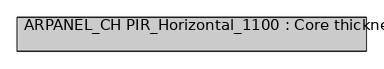
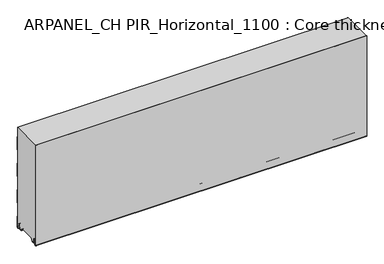
"""IFC4 building model written with IfcOpenShell, lengths in millimetres: plate geometry, ARPANEL_CH PIR_Horizontal_1100 : Core thickness - 120 mm."""

from ifc_helpers import new_model, si_unit, frame, origin, place, context, project, spatial, polyline, circle_curve, source, transform, mapped, element, save
from ifc_brep_helpers import plane_surface, cylinder_surface, revolved_surface, advanced_brep


def arpanel_ch_pir_horizontal_1100_core_thickness_120_mm_0ec4bedc(model_context):
    return source(origin(), model_context, "Body", "AdvancedBrep", [
        advanced_brep(
        [(620.0, -119.9996949, 3.0900682), (620.0, -113.81449, 2.7875612), (620.0, -112.197116, 19.2828169), (620.0, -109.1776715, 21.9898782), (620.0, -106.1582271, 19.2828169), (620.0, -104.7725998, 5.1510966), (620.0, -100.3830995, 5.365779), (620.0, -101.1830995, 5.365779), (620.0, -103.9764178, 5.2291629), (620.0, -105.3620451, 19.3608832), (620.0, -109.1776715, 22.7899182), (620.0, -112.9932979, 19.3608832), (620.0, -114.6106719, 2.8656275), (620.0, -119.1996949, 3.0900682), (620.0, -119.2, 400.0), (620.0, -119.9996949, 400.0), (-620.0, -119.1996949, 3.0900682), (-620.0, -114.6106719, 2.8656275), (-620.0, -112.9932979, 19.3608832), (-620.0, -109.1776715, 22.7899182), (-620.0, -105.3620451, 19.3608832), (-620.0, -103.9764178, 5.2291629), (-620.0, -101.1830995, 5.365779), (-620.0, -100.3830995, 5.365779), (-620.0, -104.7725998, 5.1510966), (-620.0, -106.1582271, 19.2828169), (-620.0, -109.1776715, 21.9898782), (-620.0, -112.197116, 19.2828169), (-620.0, -113.81449, 2.7875612), (-620.0, -119.9996949, 3.0900682), (-620.0, -119.9996949, 400.0), (-620.0, -119.2, 400.0)],
        [
            (0, 1, circle_curve(frame((620.0, -116.8996949, 3.0900682), z_axis=(1.0, 0.0, 0.0), x_axis=(0.0, 0.0, -1.0)), 3.1)),
            (1, 2),
            (2, 3, circle_curve(frame((620.0, -109.2114338, 18.9900682), z_axis=(-1.0, 0.0, 0.0), x_axis=(0.0, 0.0, -1.0)), 3.0)),
            (3, 4, circle_curve(frame((620.0, -109.1439093, 18.9900682), z_axis=(-1.0, 0.0, 0.0), x_axis=(0.0, 0.0, -1.0)), 3.0)),
            (4, 5),
            (5, 6, circle_curve(frame((620.0, -102.5830995, 5.365779), z_axis=(1.0, 0.0, 0.0), x_axis=(0.0, 0.0, -1.0)), 2.2)),
            (6, 7),
            (7, 8, circle_curve(frame((620.0, -102.5830995, 5.365779), z_axis=(-1.0, 0.0, 0.0), x_axis=(0.0, 0.0, -1.0)), 1.4)),
            (8, 9),
            (9, 10, circle_curve(frame((620.0, -109.1439093, 18.9900682), z_axis=(1.0, 0.0, 0.0), x_axis=(0.0, 0.0, -1.0)), 3.8)),
            (10, 11, circle_curve(frame((620.0, -109.2114338, 18.9900682), z_axis=(1.0, 0.0, 0.0), x_axis=(0.0, 0.0, -1.0)), 3.8)),
            (11, 12),
            (12, 13, circle_curve(frame((620.0, -116.8996949, 3.0900682), z_axis=(-1.0, 0.0, 0.0), x_axis=(0.0, 0.0, -1.0)), 2.3)),
            (13, 14),
            (14, 15),
            (15, 0),
            (16, 17, circle_curve(frame((-620.0, -116.8996949, 3.0900682), z_axis=(1.0, 0.0, 0.0), x_axis=(0.0, 0.0, -1.0)), 2.3)),
            (17, 18),
            (18, 19, circle_curve(frame((-620.0, -109.2114338, 18.9900682), z_axis=(-1.0, 0.0, 0.0), x_axis=(0.0, 0.0, -1.0)), 3.8)),
            (19, 20, circle_curve(frame((-620.0, -109.1439093, 18.9900682), z_axis=(-1.0, 0.0, 0.0), x_axis=(0.0, 0.0, -1.0)), 3.8)),
            (20, 21),
            (21, 22, circle_curve(frame((-620.0, -102.5830995, 5.365779), z_axis=(1.0, 0.0, 0.0), x_axis=(0.0, 0.0, -1.0)), 1.4)),
            (22, 23),
            (23, 24, circle_curve(frame((-620.0, -102.5830995, 5.365779), z_axis=(-1.0, 0.0, 0.0), x_axis=(0.0, 0.0, -1.0)), 2.2)),
            (24, 25),
            (25, 26, circle_curve(frame((-620.0, -109.1439093, 18.9900682), z_axis=(1.0, 0.0, 0.0), x_axis=(0.0, 0.0, -1.0)), 3.0)),
            (26, 27, circle_curve(frame((-620.0, -109.2114338, 18.9900682), z_axis=(1.0, 0.0, 0.0), x_axis=(0.0, 0.0, -1.0)), 3.0)),
            (27, 28),
            (28, 29, circle_curve(frame((-620.0, -116.8996949, 3.0900682), z_axis=(-1.0, 0.0, 0.0), x_axis=(0.0, 0.0, -1.0)), 3.1)),
            (29, 30),
            (30, 31),
            (31, 16),
            (13, 16),
            (31, 14),
            (29, 0),
            (15, 30),
            (12, 17),
            (11, 18),
            (10, 19),
            (9, 20),
            (8, 21),
            (7, 22),
            (6, 23),
            (5, 24),
            (4, 25),
            (3, 26),
            (2, 27),
            (1, 28),
        ],
        [
            plane_surface(frame((620.0, -120.0, 0.0), z_axis=(1.0, 0.0, 0.0), x_axis=(0.0, 1.0, 0.0))),
            plane_surface(frame((-620.0, -120.0, 0.0), z_axis=(-1.0, 0.0, 0.0), x_axis=(0.0, 1.0, 0.0))),
            plane_surface(frame((620.0, -119.2, 3.0900682), z_axis=(0.0, 1.0, 0.0), x_axis=(-1.0, 0.0, 0.0))),
            plane_surface(frame((620.0, -119.9996949, 1093.9000005), z_axis=(0.0, -1.0, 0.0), x_axis=(-1.0, 0.0, 0.0))),
            revolved_surface(polyline([(-620.0, -116.8996949, 0.7900682000000003), (620.0, -116.8996949, 0.7900682000000003)]), (620.0, -116.8996949, 3.0900682), (-1.0, 0.0, 0.0)),
            plane_surface(frame((620.0, -112.9932979, 19.3608832), z_axis=(0.0, -0.9952273999818314, 0.09758289975914787), x_axis=(-1.0, 0.0, 0.0))),
            cylinder_surface(frame((620.0, -109.2114338, 18.9900682), z_axis=(1.0, 0.0, 0.0), x_axis=(0.0, 0.0, -1.0)), 3.8),
            cylinder_surface(frame((620.0, -109.1439093, 18.9900682), z_axis=(1.0, 0.0, 0.0), x_axis=(0.0, 0.0, -1.0)), 3.8),
            plane_surface(frame((620.0, -103.9764178, 5.2291629), z_axis=(0.0, 0.9952273999818297, 0.09758289975916531), x_axis=(-1.0, 0.0, 0.0))),
            revolved_surface(polyline([(-620.0, -102.5830995, 3.965779), (620.0, -102.5830995, 3.965779)]), (620.0, -102.5830995, 5.365779), (-1.0, 0.0, 0.0)),
            plane_surface(frame((620.0, -100.3830995, 5.365779), z_axis=(0.0, 0.0, 1.0), x_axis=(-1.0, 0.0, 0.0))),
            cylinder_surface(frame((620.0, -102.5830995, 5.365779), z_axis=(1.0, 0.0, 0.0), x_axis=(0.0, 0.0, -1.0)), 2.2),
            plane_surface(frame((620.0, -106.1582271, 19.2828169), z_axis=(0.0, -0.9952273999818296, -0.09758289975916527), x_axis=(-1.0, 0.0, 0.0))),
            revolved_surface(polyline([(-620.0, -109.1439093, 15.9900682), (620.0, -109.1439093, 15.9900682)]), (620.0, -109.1439093, 18.9900682), (-1.0, 0.0, 0.0)),
            revolved_surface(polyline([(-620.0, -109.2114338, 15.9900682), (620.0, -109.2114338, 15.9900682)]), (620.0, -109.2114338, 18.9900682), (-1.0, 0.0, 0.0)),
            plane_surface(frame((620.0, -113.81449, 2.7875612), z_axis=(0.0, 0.9952273999818314, -0.09758289975914787), x_axis=(-1.0, 0.0, 0.0))),
            cylinder_surface(frame((620.0, -116.8996949, 3.0900682), z_axis=(1.0, 0.0, 0.0), x_axis=(0.0, 0.0, -1.0)), 3.1),
            plane_surface(frame((-620.0, 134.0533409, 400.0), z_axis=(0.0, 0.0, 1.0), x_axis=(1.0, 0.0, 0.0))),
        ],
        [
            (0, [[1, 2, 3, 4, 5, 6, 7, 8, 9, 10, 11, 12, 13, 14, 15, 16]]),
            (1, [[17, 18, 19, 20, 21, 22, 23, 24, 25, 26, 27, 28, 29, 30, 31, 32]]),
            (2, [[33, -32, 34, -14]]),
            (3, [[35, -16, 36, -30]]),
            (4, [[-13, 37, -17, -33]]),
            (5, [[-12, 38, -18, -37]]),
            (6, [[-11, 39, -19, -38]]),
            (7, [[-10, 40, -20, -39]]),
            (8, [[-9, 41, -21, -40]]),
            (9, [[-8, 42, -22, -41]]),
            (10, [[-7, 43, -23, -42]]),
            (11, [[-6, 44, -24, -43]]),
            (12, [[-5, 45, -25, -44]]),
            (13, [[-4, 46, -26, -45]]),
            (14, [[-3, 47, -27, -46]]),
            (15, [[-2, 48, -28, -47]]),
            (16, [[-1, -35, -29, -48]]),
            (17, [[-15, -34, -31, -36]]),
        ],
    ),
        advanced_brep(
        [(620.0, -89.873448, 15.1417681), (620.0, -30.126552, 15.1417681), (620.0, -23.4071318, 3.165779), (620.0, -17.4169005, 3.165779), (620.0, -19.6169005, 5.365779), (620.0, -18.8169005, 5.365779), (620.0, -16.0235822, 5.2291629), (620.0, -14.6379549, 19.3608832), (620.0, -10.8223285, 22.7899182), (620.0, -7.0067021, 19.3608832), (620.0, -5.3893281, 2.8656275), (620.0, -0.8003051, 3.0900682), (620.0, -0.8, 44.6827637), (620.0, -1.0986697, 45.7341795), (620.0, -1.5003051, 47.1545605), (620.0, -1.5003051, 97.3143437), (620.0, -1.0971009, 98.7337551), (620.0, -0.8, 99.7861405), (620.0, -0.8, 149.9459237), (620.0, -1.0986697, 150.9973395), (620.0, -1.5003051, 152.4177205), (620.0, -1.5003051, 202.5775037), (620.0, -1.0971009, 203.9969151), (620.0, -0.8, 205.0493005), (620.0, -0.8, 255.2090837), (620.0, -1.0986697, 256.2604995), (620.0, -1.5003051, 257.6808805), (620.0, -1.5003051, 307.8406637), (620.0, -1.0971009, 309.2600751), (620.0, -0.8, 310.3124605), (620.0, -0.8, 360.4722437), (620.0, -1.0986697, 361.5236595), (620.0, -1.5003051, 362.9440405), (620.0, -1.5003051, 400.0), (620.0, -119.2, 400.0), (620.0, -119.2, 3.0900682), (620.0, -114.6106719, 2.8656275), (620.0, -112.9932979, 19.3608832), (620.0, -109.1776715, 22.7899182), (620.0, -105.3620451, 19.3608832), (620.0, -103.9764178, 5.2291629), (620.0, -101.1830995, 5.365779), (620.0, -100.3830995, 5.365779), (620.0, -102.5830995, 3.165779), (620.0, -96.5928682, 3.165779), (-620.0, -30.126552, 15.1417681), (-620.0, -89.873448, 15.1417681), (-620.0, -96.5928682, 3.165779), (-620.0, -102.5830995, 3.165779), (-620.0, -100.3830995, 5.365779), (-620.0, -101.1830995, 5.365779), (-620.0, -103.9764178, 5.2291629), (-620.0, -105.3620451, 19.3608832), (-620.0, -109.1776715, 22.7899182), (-620.0, -112.9932979, 19.3608832), (-620.0, -114.6106719, 2.8656275), (-620.0, -119.1996949, 3.0900682), (-620.0, -119.2, 400.0), (-620.0, -1.5003051, 400.0), (-620.0, -1.5003051, 362.9440405), (-620.0, -1.0971009, 361.5246291), (-620.0, -0.8, 360.4722437), (-620.0, -0.8, 310.3124605), (-620.0, -1.0986697, 309.2610446), (-620.0, -1.5003051, 307.8406637), (-620.0, -1.5003051, 257.6808805), (-620.0, -1.0971009, 256.2614691), (-620.0, -0.8, 255.2090837), (-620.0, -0.8, 205.0493005), (-620.0, -1.0986697, 203.9978846), (-620.0, -1.5003051, 202.5775037), (-620.0, -1.5003051, 152.4177205), (-620.0, -1.0971009, 150.9983091), (-620.0, -0.8, 149.9459237), (-620.0, -0.8, 99.7861405), (-620.0, -1.0986697, 98.7347246), (-620.0, -1.5003051, 97.3143437), (-620.0, -1.5003051, 47.1545605), (-620.0, -1.0971009, 45.7351491), (-620.0, -0.8, 44.6827637), (-620.0, -0.8, 3.0900682), (-620.0, -5.3893281, 2.8656275), (-620.0, -7.0067021, 19.3608832), (-620.0, -10.8223285, 22.7899182), (-620.0, -14.6379549, 19.3608832), (-620.0, -16.0235822, 5.2291629), (-620.0, -18.8169005, 5.365779), (-620.0, -19.6169005, 5.365779), (-620.0, -17.4169005, 3.165779), (-620.0, -23.4071318, 3.165779)],
        [
            (0, 1),
            (1, 2),
            (2, 3),
            (3, 4, circle_curve(frame((620.0, -17.4169005, 5.365779), z_axis=(-1.0, 0.0, 0.0), x_axis=(0.0, 0.0, -1.0)), 2.2)),
            (4, 5),
            (5, 6, circle_curve(frame((620.0, -17.4169005, 5.365779), z_axis=(1.0, 0.0, 0.0), x_axis=(0.0, 0.0, -1.0)), 1.4)),
            (6, 7),
            (7, 8, circle_curve(frame((620.0, -10.8560907, 18.9900682), z_axis=(-1.0, 0.0, 0.0), x_axis=(0.0, 0.0, -1.0)), 3.8)),
            (8, 9, circle_curve(frame((620.0, -10.7885662, 18.9900682), z_axis=(-1.0, 0.0, 0.0), x_axis=(0.0, 0.0, -1.0)), 3.8)),
            (9, 10),
            (10, 11, circle_curve(frame((620.0, -3.1003051, 3.0900682), z_axis=(1.0, 0.0, 0.0), x_axis=(0.0, 0.0, -1.0)), 2.3)),
            (11, 12),
            (12, 13, circle_curve(frame((620.0, -2.8, 44.6827637), z_axis=(1.0, 0.0, 0.0), x_axis=(0.0, 0.0, -1.0)), 2.0)),
            (13, 14, circle_curve(frame((620.0, 1.1996949, 47.1545605), z_axis=(-1.0, 0.0, 0.0), x_axis=(0.0, 0.0, -1.0)), 2.7)),
            (14, 15),
            (15, 16, circle_curve(frame((620.0, 1.1996949, 97.3143437), z_axis=(-1.0, 0.0, 0.0), x_axis=(0.0, 0.0, -1.0)), 2.7)),
            (16, 17, circle_curve(frame((620.0, -2.8, 99.7861405), z_axis=(1.0, 0.0, 0.0), x_axis=(0.0, 0.0, -1.0)), 2.0)),
            (17, 18),
            (18, 19, circle_curve(frame((620.0, -2.8, 149.9459237), z_axis=(1.0, 0.0, 0.0), x_axis=(0.0, 0.0, -1.0)), 2.0)),
            (19, 20, circle_curve(frame((620.0, 1.1996949, 152.4177205), z_axis=(-1.0, 0.0, 0.0), x_axis=(0.0, 0.0, -1.0)), 2.7)),
            (20, 21),
            (21, 22, circle_curve(frame((620.0, 1.1996949, 202.5775037), z_axis=(-1.0, 0.0, 0.0), x_axis=(0.0, 0.0, -1.0)), 2.7)),
            (22, 23, circle_curve(frame((620.0, -2.8, 205.0493005), z_axis=(1.0, 0.0, 0.0), x_axis=(0.0, 0.0, -1.0)), 2.0)),
            (23, 24),
            (24, 25, circle_curve(frame((620.0, -2.8, 255.2090837), z_axis=(1.0, 0.0, 0.0), x_axis=(0.0, 0.0, -1.0)), 2.0)),
            (25, 26, circle_curve(frame((620.0, 1.1996949, 257.6808805), z_axis=(-1.0, 0.0, 0.0), x_axis=(0.0, 0.0, -1.0)), 2.7)),
            (26, 27),
            (27, 28, circle_curve(frame((620.0, 1.1996949, 307.8406637), z_axis=(-1.0, 0.0, 0.0), x_axis=(0.0, 0.0, -1.0)), 2.7)),
            (28, 29, circle_curve(frame((620.0, -2.8, 310.3124605), z_axis=(1.0, 0.0, 0.0), x_axis=(0.0, 0.0, -1.0)), 2.0)),
            (29, 30),
            (30, 31, circle_curve(frame((620.0, -2.8, 360.4722437), z_axis=(1.0, 0.0, 0.0), x_axis=(0.0, 0.0, -1.0)), 2.0)),
            (31, 32, circle_curve(frame((620.0, 1.1996949, 362.9440405), z_axis=(-1.0, 0.0, 0.0), x_axis=(0.0, 0.0, -1.0)), 2.7)),
            (32, 33),
            (33, 34),
            (34, 35),
            (35, 36, circle_curve(frame((620.0, -116.8996949, 3.0900682), z_axis=(1.0, 0.0, 0.0), x_axis=(0.0, 0.0, -1.0)), 2.3)),
            (36, 37),
            (37, 38, circle_curve(frame((620.0, -109.2114338, 18.9900682), z_axis=(-1.0, 0.0, 0.0), x_axis=(0.0, 0.0, -1.0)), 3.8)),
            (38, 39, circle_curve(frame((620.0, -109.1439093, 18.9900682), z_axis=(-1.0, 0.0, 0.0), x_axis=(0.0, 0.0, -1.0)), 3.8)),
            (39, 40),
            (40, 41, circle_curve(frame((620.0, -102.5830995, 5.365779), z_axis=(1.0, 0.0, 0.0), x_axis=(0.0, 0.0, -1.0)), 1.4)),
            (41, 42),
            (42, 43, circle_curve(frame((620.0, -102.5830995, 5.365779), z_axis=(-1.0, 0.0, 0.0), x_axis=(0.0, 0.0, -1.0)), 2.2)),
            (43, 44),
            (44, 0),
            (45, 46),
            (46, 47),
            (47, 48),
            (48, 49, circle_curve(frame((-620.0, -102.5830995, 5.365779), z_axis=(1.0, 0.0, 0.0), x_axis=(0.0, 0.0, -1.0)), 2.2)),
            (49, 50),
            (50, 51, circle_curve(frame((-620.0, -102.5830995, 5.365779), z_axis=(-1.0, 0.0, 0.0), x_axis=(0.0, 0.0, -1.0)), 1.4)),
            (51, 52),
            (52, 53, circle_curve(frame((-620.0, -109.1439093, 18.9900682), z_axis=(1.0, 0.0, 0.0), x_axis=(0.0, 0.0, -1.0)), 3.8)),
            (53, 54, circle_curve(frame((-620.0, -109.2114338, 18.9900682), z_axis=(1.0, 0.0, 0.0), x_axis=(0.0, 0.0, -1.0)), 3.8)),
            (54, 55),
            (55, 56, circle_curve(frame((-620.0, -116.8996949, 3.0900682), z_axis=(-1.0, 0.0, 0.0), x_axis=(0.0, 0.0, -1.0)), 2.3)),
            (56, 57),
            (57, 58),
            (58, 59),
            (59, 60, circle_curve(frame((-620.0, 1.1996949, 362.9440405), z_axis=(1.0, 0.0, 0.0), x_axis=(0.0, 0.0, -1.0)), 2.7)),
            (60, 61, circle_curve(frame((-620.0, -2.8, 360.4722437), z_axis=(-1.0, 0.0, 0.0), x_axis=(0.0, 0.0, -1.0)), 2.0)),
            (61, 62),
            (62, 63, circle_curve(frame((-620.0, -2.8, 310.3124605), z_axis=(-1.0, 0.0, 0.0), x_axis=(0.0, 0.0, -1.0)), 2.0)),
            (63, 64, circle_curve(frame((-620.0, 1.1996949, 307.8406637), z_axis=(1.0, 0.0, 0.0), x_axis=(0.0, 0.0, -1.0)), 2.7)),
            (64, 65),
            (65, 66, circle_curve(frame((-620.0, 1.1996949, 257.6808805), z_axis=(1.0, 0.0, 0.0), x_axis=(0.0, 0.0, -1.0)), 2.7)),
            (66, 67, circle_curve(frame((-620.0, -2.8, 255.2090837), z_axis=(-1.0, 0.0, 0.0), x_axis=(0.0, 0.0, -1.0)), 2.0)),
            (67, 68),
            (68, 69, circle_curve(frame((-620.0, -2.8, 205.0493005), z_axis=(-1.0, 0.0, 0.0), x_axis=(0.0, 0.0, -1.0)), 2.0)),
            (69, 70, circle_curve(frame((-620.0, 1.1996949, 202.5775037), z_axis=(1.0, 0.0, 0.0), x_axis=(0.0, 0.0, -1.0)), 2.7)),
            (70, 71),
            (71, 72, circle_curve(frame((-620.0, 1.1996949, 152.4177205), z_axis=(1.0, 0.0, 0.0), x_axis=(0.0, 0.0, -1.0)), 2.7)),
            (72, 73, circle_curve(frame((-620.0, -2.8, 149.9459237), z_axis=(-1.0, 0.0, 0.0), x_axis=(0.0, 0.0, -1.0)), 2.0)),
            (73, 74),
            (74, 75, circle_curve(frame((-620.0, -2.8, 99.7861405), z_axis=(-1.0, 0.0, 0.0), x_axis=(0.0, 0.0, -1.0)), 2.0)),
            (75, 76, circle_curve(frame((-620.0, 1.1996949, 97.3143437), z_axis=(1.0, 0.0, 0.0), x_axis=(0.0, 0.0, -1.0)), 2.7)),
            (76, 77),
            (77, 78, circle_curve(frame((-620.0, 1.1996949, 47.1545605), z_axis=(1.0, 0.0, 0.0), x_axis=(0.0, 0.0, -1.0)), 2.7)),
            (78, 79, circle_curve(frame((-620.0, -2.8, 44.6827637), z_axis=(-1.0, 0.0, 0.0), x_axis=(0.0, 0.0, -1.0)), 2.0)),
            (79, 80),
            (80, 81, circle_curve(frame((-620.0, -3.1003051, 3.0900682), z_axis=(-1.0, 0.0, 0.0), x_axis=(0.0, 0.0, -1.0)), 2.3)),
            (81, 82),
            (82, 83, circle_curve(frame((-620.0, -10.7885662, 18.9900682), z_axis=(1.0, 0.0, 0.0), x_axis=(0.0, 0.0, -1.0)), 3.8)),
            (83, 84, circle_curve(frame((-620.0, -10.8560907, 18.9900682), z_axis=(1.0, 0.0, 0.0), x_axis=(0.0, 0.0, -1.0)), 3.8)),
            (84, 85),
            (85, 86, circle_curve(frame((-620.0, -17.4169005, 5.365779), z_axis=(-1.0, 0.0, 0.0), x_axis=(0.0, 0.0, -1.0)), 1.4)),
            (86, 87),
            (87, 88, circle_curve(frame((-620.0, -17.4169005, 5.365779), z_axis=(1.0, 0.0, 0.0), x_axis=(0.0, 0.0, -1.0)), 2.2)),
            (88, 89),
            (89, 45),
            (1, 45),
            (89, 2),
            (0, 46),
            (44, 47),
            (72, 19),
            (18, 73),
            (71, 20),
            (70, 21),
            (69, 22),
            (68, 23),
            (67, 24),
            (66, 25),
            (65, 26),
            (64, 27),
            (63, 28),
            (62, 29),
            (61, 30),
            (60, 31),
            (59, 32),
            (58, 33),
            (56, 35),
            (34, 57),
            (88, 3),
            (43, 48),
            (87, 4),
            (86, 5),
            (85, 6),
            (84, 7),
            (83, 8),
            (82, 9),
            (81, 10),
            (80, 11),
            (79, 12),
            (78, 13),
            (77, 14),
            (76, 15),
            (75, 16),
            (74, 17),
            (55, 36),
            (54, 37),
            (53, 38),
            (52, 39),
            (51, 40),
            (50, 41),
            (49, 42),
        ],
        [
            plane_surface(frame((620.0, 0.0, 0.0), z_axis=(1.0, 0.0, 0.0), x_axis=(0.0, -1.0, 0.0))),
            plane_surface(frame((-620.0, 0.0, 0.0), z_axis=(-1.0, 0.0, 0.0), x_axis=(0.0, -1.0, 0.0))),
            plane_surface(frame((620.0, -30.126552, 15.1417681), z_axis=(0.0, -0.8721062992196836, -0.4893164649399687), x_axis=(-1.0, 0.0, 0.0))),
            plane_surface(frame((620.0, -89.873448, 15.1417681), z_axis=(0.0, 0.0, -1.0), x_axis=(-1.0, 0.0, 0.0))),
            plane_surface(frame((620.0, -96.8190247, 2.7627014), z_axis=(0.0, 0.8721062992196862, -0.4893164649399642), x_axis=(-1.0, 0.0, 0.0))),
            cylinder_surface(frame((750.0, -2.8, 149.9459237), z_axis=(-1.0, 0.0, 0.0), x_axis=(0.0, 0.0, -1.0)), 2.0),
            revolved_surface(polyline([(620.0, 1.1996949, 149.7177205), (-620.0, 1.1996949, 149.7177205)]), (750.0, 1.1996949, 152.4177205), (1.0, 0.0, 0.0)),
            plane_surface(frame((750.0, -1.5003051, 202.5775037), z_axis=(0.0, 1.0, 0.0), x_axis=(-1.0, 0.0, 0.0))),
            revolved_surface(polyline([(620.0, 1.1996949, 199.8775037), (-620.0, 1.1996949, 199.8775037)]), (750.0, 1.1996949, 202.5775037), (1.0, 0.0, 0.0)),
            cylinder_surface(frame((750.0, -2.8, 205.0493005), z_axis=(-1.0, 0.0, 0.0), x_axis=(0.0, 0.0, -1.0)), 2.0),
            plane_surface(frame((750.0, -0.8, 255.2090837), z_axis=(0.0, 1.0, 0.0), x_axis=(-1.0, 0.0, 0.0))),
            cylinder_surface(frame((750.0, -2.8, 255.2090837), z_axis=(-1.0, 0.0, 0.0), x_axis=(0.0, 0.0, -1.0)), 2.0),
            revolved_surface(polyline([(620.0, 1.1996949, 254.9808805), (-620.0, 1.1996949, 254.9808805)]), (750.0, 1.1996949, 257.6808805), (1.0, 0.0, 0.0)),
            plane_surface(frame((750.0, -1.5003051, 307.8406637), z_axis=(0.0, 1.0, 0.0), x_axis=(-1.0, 0.0, 0.0))),
            revolved_surface(polyline([(620.0, 1.1996949, 305.1406637), (-620.0, 1.1996949, 305.1406637)]), (750.0, 1.1996949, 307.8406637), (1.0, 0.0, 0.0)),
            cylinder_surface(frame((750.0, -2.8, 310.3124605), z_axis=(-1.0, 0.0, 0.0), x_axis=(0.0, 0.0, -1.0)), 2.0),
            plane_surface(frame((750.0, -0.8, 360.4722437), z_axis=(0.0, 1.0, 0.0), x_axis=(-1.0, 0.0, 0.0))),
            cylinder_surface(frame((750.0, -2.8, 360.4722437), z_axis=(-1.0, 0.0, 0.0), x_axis=(0.0, 0.0, -1.0)), 2.0),
            revolved_surface(polyline([(620.0, 1.1996949, 360.24404050000004), (-620.0, 1.1996949, 360.24404050000004)]), (750.0, 1.1996949, 362.9440405), (1.0, 0.0, 0.0)),
            plane_surface(frame((750.0, -1.5003051, 413.1038237), z_axis=(0.0, 1.0, 0.0), x_axis=(-1.0, 0.0, 0.0))),
            plane_surface(frame((750.0, -119.2, 3.0900682), z_axis=(0.0, -1.0, 0.0), x_axis=(-1.0, 0.0, 0.0))),
            plane_surface(frame((-620.0, -102.5830995, 3.165779), z_axis=(0.0, 0.0, -1.0), x_axis=(1.0, 0.0, 0.0))),
            revolved_surface(polyline([(620.0, -17.4169005, 3.1657789999999997), (-620.0, -17.4169005, 3.1657789999999997)]), (750.0, -17.4169005, 5.365779), (1.0, 0.0, 0.0)),
            plane_surface(frame((750.0, -18.8169005, 5.365779), z_axis=(0.0, 0.0, -1.0), x_axis=(-1.0, 0.0, 0.0))),
            cylinder_surface(frame((750.0, -17.4169005, 5.365779), z_axis=(-1.0, 0.0, 0.0), x_axis=(0.0, 0.0, -1.0)), 1.4),
            plane_surface(frame((750.0, -14.6379549, 19.3608832), z_axis=(0.0, 0.9952273999818297, -0.09758289975916531), x_axis=(-1.0, 0.0, 0.0))),
            revolved_surface(polyline([(620.0, -10.8560907, 15.190068199999999), (-620.0, -10.8560907, 15.190068199999999)]), (750.0, -10.8560907, 18.9900682), (1.0, 0.0, 0.0)),
            revolved_surface(polyline([(620.0, -10.7885662, 15.190068199999999), (-620.0, -10.7885662, 15.190068199999999)]), (750.0, -10.7885662, 18.9900682), (1.0, 0.0, 0.0)),
            plane_surface(frame((750.0, -5.3893281, 2.8656275), z_axis=(0.0, -0.9952273999818314, -0.09758289975914787), x_axis=(-1.0, 0.0, 0.0))),
            cylinder_surface(frame((750.0, -3.1003051, 3.0900682), z_axis=(-1.0, 0.0, 0.0), x_axis=(0.0, 0.0, -1.0)), 2.3),
            plane_surface(frame((750.0, -0.8, 44.6827637), z_axis=(0.0, 1.0, 0.0), x_axis=(-1.0, 0.0, 0.0))),
            cylinder_surface(frame((750.0, -2.8, 44.6827637), z_axis=(-1.0, 0.0, 0.0), x_axis=(0.0, 0.0, -1.0)), 2.0),
            revolved_surface(polyline([(620.0, 1.1996949, 44.4545605), (-620.0, 1.1996949, 44.4545605)]), (750.0, 1.1996949, 47.1545605), (1.0, 0.0, 0.0)),
            plane_surface(frame((750.0, -1.5003051, 97.3143437), z_axis=(0.0, 1.0, 0.0), x_axis=(-1.0, 0.0, 0.0))),
            revolved_surface(polyline([(620.0, 1.1996949, 94.61434369999999), (-620.0, 1.1996949, 94.61434369999999)]), (750.0, 1.1996949, 97.3143437), (1.0, 0.0, 0.0)),
            cylinder_surface(frame((750.0, -2.8, 99.7861405), z_axis=(-1.0, 0.0, 0.0), x_axis=(0.0, 0.0, -1.0)), 2.0),
            plane_surface(frame((750.0, -0.8, 149.9459237), z_axis=(0.0, 1.0, 0.0), x_axis=(-1.0, 0.0, 0.0))),
            cylinder_surface(frame((750.0, -116.8996949, 3.0900682), z_axis=(-1.0, 0.0, 0.0), x_axis=(0.0, 0.0, -1.0)), 2.3),
            plane_surface(frame((750.0, -112.9932979, 19.3608832), z_axis=(0.0, 0.9952273999818314, -0.09758289975914787), x_axis=(-1.0, 0.0, 0.0))),
            revolved_surface(polyline([(620.0, -109.2114338, 15.190068199999999), (-620.0, -109.2114338, 15.190068199999999)]), (750.0, -109.2114338, 18.9900682), (1.0, 0.0, 0.0)),
            revolved_surface(polyline([(620.0, -109.1439093, 15.190068199999999), (-620.0, -109.1439093, 15.190068199999999)]), (750.0, -109.1439093, 18.9900682), (1.0, 0.0, 0.0)),
            plane_surface(frame((750.0, -103.9764178, 5.2291629), z_axis=(0.0, -0.9952273999818297, -0.09758289975916531), x_axis=(-1.0, 0.0, 0.0))),
            cylinder_surface(frame((750.0, -102.5830995, 5.365779), z_axis=(-1.0, 0.0, 0.0), x_axis=(0.0, 0.0, -1.0)), 1.4),
            plane_surface(frame((750.0, -100.3830995, 5.365779), z_axis=(0.0, 0.0, -1.0), x_axis=(-1.0, 0.0, 0.0))),
            revolved_surface(polyline([(620.0, -102.5830995, 3.1657789999999997), (-620.0, -102.5830995, 3.1657789999999997)]), (750.0, -102.5830995, 5.365779), (1.0, 0.0, 0.0)),
            plane_surface(frame((-620.0, 134.0533409, 400.0), z_axis=(0.0, 0.0, 1.0), x_axis=(1.0, 0.0, 0.0))),
        ],
        [
            (0, [[1, 2, 3, 4, 5, 6, 7, 8, 9, 10, 11, 12, 13, 14, 15, 16, 17, 18, 19, 20, 21, 22, 23, 24, 25, 26, 27, 28, 29, 30, 31, 32, 33, 34, 35, 36, 37, 38, 39, 40, 41, 42, 43, 44, 45]]),
            (1, [[46, 47, 48, 49, 50, 51, 52, 53, 54, 55, 56, 57, 58, 59, 60, 61, 62, 63, 64, 65, 66, 67, 68, 69, 70, 71, 72, 73, 74, 75, 76, 77, 78, 79, 80, 81, 82, 83, 84, 85, 86, 87, 88, 89, 90]]),
            (2, [[91, -90, 92, -2]]),
            (3, [[-1, 93, -46, -91]]),
            (4, [[-93, -45, 94, -47]]),
            (5, [[95, -19, 96, -73]]),
            (6, [[-95, -72, 97, -20]]),
            (7, [[-97, -71, 98, -21]]),
            (8, [[-98, -70, 99, -22]]),
            (9, [[-99, -69, 100, -23]]),
            (10, [[-100, -68, 101, -24]]),
            (11, [[-101, -67, 102, -25]]),
            (12, [[-102, -66, 103, -26]]),
            (13, [[-103, -65, 104, -27]]),
            (14, [[-104, -64, 105, -28]]),
            (15, [[-105, -63, 106, -29]]),
            (16, [[-106, -62, 107, -30]]),
            (17, [[-107, -61, 108, -31]]),
            (18, [[-108, -60, 109, -32]]),
            (19, [[-109, -59, 110, -33]]),
            (20, [[111, -35, 112, -57]]),
            (21, [[-3, -92, -89, 113]]),
            (21, [[-44, 114, -48, -94]]),
            (22, [[115, -4, -113, -88]]),
            (23, [[-115, -87, 116, -5]]),
            (24, [[-116, -86, 117, -6]]),
            (25, [[-117, -85, 118, -7]]),
            (26, [[-118, -84, 119, -8]]),
            (27, [[-119, -83, 120, -9]]),
            (28, [[-120, -82, 121, -10]]),
            (29, [[-121, -81, 122, -11]]),
            (30, [[-122, -80, 123, -12]]),
            (31, [[-123, -79, 124, -13]]),
            (32, [[-124, -78, 125, -14]]),
            (33, [[-125, -77, 126, -15]]),
            (34, [[-126, -76, 127, -16]]),
            (35, [[-127, -75, 128, -17]]),
            (36, [[-128, -74, -96, -18]]),
            (37, [[-111, -56, 129, -36]]),
            (38, [[-129, -55, 130, -37]]),
            (39, [[-130, -54, 131, -38]]),
            (40, [[-131, -53, 132, -39]]),
            (41, [[-132, -52, 133, -40]]),
            (42, [[-133, -51, 134, -41]]),
            (43, [[-134, -50, 135, -42]]),
            (44, [[-135, -49, -114, -43]]),
            (45, [[-110, -58, -112, -34]]),
        ],
    ),
        advanced_brep(
        [(-620.0, -0.7003051, 362.9440405), (-620.0, -0.4016712, 361.8926826), (-620.0, -0.0003051, 360.4722437), (-620.0, -0.0003051, 310.3124605), (-620.0, -0.4034608, 308.8931274), (-620.0, -0.7003051, 307.8406637), (-620.0, -0.7003051, 257.6808805), (-620.0, -0.4016712, 256.6295226), (-620.0, -0.0003051, 255.2090837), (-620.0, -0.0003051, 205.0493005), (-620.0, -0.4034608, 203.6299674), (-620.0, -0.7003051, 202.5775037), (-620.0, -0.7003051, 152.4177205), (-620.0, -0.4016712, 151.3663626), (-620.0, -0.0003051, 149.9459237), (-620.0, -0.0003051, 99.7861405), (-620.0, -0.4034608, 98.3668074), (-620.0, -0.7003051, 97.3143437), (-620.0, -0.7003051, 47.1545605), (-620.0, -0.4016712, 46.1032026), (-620.0, -0.0003051, 44.6827637), (-620.0, -0.0003051, 3.0900682), (-620.0, -6.18551, 2.7875612), (-620.0, -7.802884, 19.2828169), (-620.0, -10.8223285, 21.9898782), (-620.0, -13.8417729, 19.2828169), (-620.0, -15.2274002, 5.1510966), (-620.0, -19.6169005, 5.365779), (-620.0, -18.8169005, 5.365779), (-620.0, -16.0235822, 5.2291629), (-620.0, -14.6379549, 19.3608832), (-620.0, -10.8223285, 22.7899182), (-620.0, -7.0067021, 19.3608832), (-620.0, -5.3893281, 2.8656275), (-620.0, -0.8003051, 3.0900682), (-620.0, -0.8, 44.6827637), (-620.0, -1.0986697, 45.7341795), (-620.0, -1.5003051, 47.1545605), (-620.0, -1.5003051, 97.3143437), (-620.0, -1.0971009, 98.7337551), (-620.0, -0.8, 99.7861405), (-620.0, -0.8, 149.9459237), (-620.0, -1.0986697, 150.9973395), (-620.0, -1.5003051, 152.4177205), (-620.0, -1.5003051, 202.5775037), (-620.0, -1.0971009, 203.9969151), (-620.0, -0.8, 205.0493005), (-620.0, -0.8, 255.2090837), (-620.0, -1.0986697, 256.2604995), (-620.0, -1.5003051, 257.6808805), (-620.0, -1.5003051, 307.8406637), (-620.0, -1.0971009, 309.2600751), (-620.0, -0.8, 310.3124605), (-620.0, -0.8, 360.4722437), (-620.0, -1.0986697, 361.5236595), (-620.0, -1.5003051, 362.9440405), (-620.0, -1.5003051, 400.0), (-620.0, -0.7003051, 400.0), (620.0, -1.5003051, 362.9440405), (620.0, -1.0971009, 361.5246291), (620.0, -0.8, 360.4722437), (620.0, -0.8, 310.3124605), (620.0, -1.0986697, 309.2610446), (620.0, -1.5003051, 307.8406637), (620.0, -1.5003051, 257.6808805), (620.0, -1.0971009, 256.2614691), (620.0, -0.8, 255.2090837), (620.0, -0.8, 205.0493005), (620.0, -1.0986697, 203.9978846), (620.0, -1.5003051, 202.5775037), (620.0, -1.5003051, 152.4177205), (620.0, -1.0971009, 150.9983091), (620.0, -0.8, 149.9459237), (620.0, -0.8, 99.7861405), (620.0, -1.0986697, 98.7347246), (620.0, -1.5003051, 97.3143437), (620.0, -1.5003051, 47.1545605), (620.0, -1.0971009, 45.7351491), (620.0, -0.8, 44.6827637), (620.0, -0.8, 3.0900682), (620.0, -5.3893281, 2.8656275), (620.0, -7.0067021, 19.3608832), (620.0, -10.8223285, 22.7899182), (620.0, -14.6379549, 19.3608832), (620.0, -16.0235822, 5.2291629), (620.0, -18.8169005, 5.365779), (620.0, -19.6169005, 5.365779), (620.0, -15.2274002, 5.1510966), (620.0, -13.8417729, 19.2828169), (620.0, -10.8223285, 21.9898782), (620.0, -7.802884, 19.2828169), (620.0, -6.18551, 2.7875612), (620.0, -0.0003051, 3.0900682), (620.0, -0.0003051, 44.6827637), (620.0, -0.4034608, 46.1020968), (620.0, -0.7003051, 47.1545605), (620.0, -0.7003051, 97.3143437), (620.0, -0.4016712, 98.3657015), (620.0, -0.0003051, 99.7861405), (620.0, -0.0003051, 149.9459237), (620.0, -0.4034608, 151.3652568), (620.0, -0.7003051, 152.4177205), (620.0, -0.7003051, 202.5775037), (620.0, -0.4016712, 203.6288615), (620.0, -0.0003051, 205.0493005), (620.0, -0.0003051, 255.2090837), (620.0, -0.4034608, 256.6284168), (620.0, -0.7003051, 257.6808805), (620.0, -0.7003051, 307.8406637), (620.0, -0.4016712, 308.8920215), (620.0, -0.0003051, 310.3124605), (620.0, -0.0003051, 360.4722437), (620.0, -0.4034608, 361.8915768), (620.0, -0.7003051, 362.9440405), (620.0, -0.7003051, 400.0), (620.0, -1.5003051, 400.0)],
        [
            (0, 1, circle_curve(frame((-620.0, 1.2996949, 362.9440405), z_axis=(1.0, 0.0, 0.0), x_axis=(0.0, 0.0, -1.0)), 2.0)),
            (1, 2, circle_curve(frame((-620.0, -2.7003051, 360.4722437), z_axis=(-1.0, 0.0, 0.0), x_axis=(0.0, 0.0, -1.0)), 2.7)),
            (2, 3),
            (3, 4, circle_curve(frame((-620.0, -2.7003051, 310.3124605), z_axis=(-1.0, 0.0, 0.0), x_axis=(0.0, 0.0, -1.0)), 2.7)),
            (4, 5, circle_curve(frame((-620.0, 1.2996949, 307.8406637), z_axis=(1.0, 0.0, 0.0), x_axis=(0.0, 0.0, -1.0)), 2.0)),
            (5, 6),
            (6, 7, circle_curve(frame((-620.0, 1.2996949, 257.6808805), z_axis=(1.0, 0.0, 0.0), x_axis=(0.0, 0.0, -1.0)), 2.0)),
            (7, 8, circle_curve(frame((-620.0, -2.7003051, 255.2090837), z_axis=(-1.0, 0.0, 0.0), x_axis=(0.0, 0.0, -1.0)), 2.7)),
            (8, 9),
            (9, 10, circle_curve(frame((-620.0, -2.7003051, 205.0493005), z_axis=(-1.0, 0.0, 0.0), x_axis=(0.0, 0.0, -1.0)), 2.7)),
            (10, 11, circle_curve(frame((-620.0, 1.2996949, 202.5775037), z_axis=(1.0, 0.0, 0.0), x_axis=(0.0, 0.0, -1.0)), 2.0)),
            (11, 12),
            (12, 13, circle_curve(frame((-620.0, 1.2996949, 152.4177205), z_axis=(1.0, 0.0, 0.0), x_axis=(0.0, 0.0, -1.0)), 2.0)),
            (13, 14, circle_curve(frame((-620.0, -2.7003051, 149.9459237), z_axis=(-1.0, 0.0, 0.0), x_axis=(0.0, 0.0, -1.0)), 2.7)),
            (14, 15),
            (15, 16, circle_curve(frame((-620.0, -2.7003051, 99.7861405), z_axis=(-1.0, 0.0, 0.0), x_axis=(0.0, 0.0, -1.0)), 2.7)),
            (16, 17, circle_curve(frame((-620.0, 1.2996949, 97.3143437), z_axis=(1.0, 0.0, 0.0), x_axis=(0.0, 0.0, -1.0)), 2.0)),
            (17, 18),
            (18, 19, circle_curve(frame((-620.0, 1.2996949, 47.1545605), z_axis=(1.0, 0.0, 0.0), x_axis=(0.0, 0.0, -1.0)), 2.0)),
            (19, 20, circle_curve(frame((-620.0, -2.7003051, 44.6827637), z_axis=(-1.0, 0.0, 0.0), x_axis=(0.0, 0.0, -1.0)), 2.7)),
            (20, 21),
            (21, 22, circle_curve(frame((-620.0, -3.1003051, 3.0900682), z_axis=(-1.0, 0.0, 0.0), x_axis=(0.0, 0.0, -1.0)), 3.1)),
            (22, 23),
            (23, 24, circle_curve(frame((-620.0, -10.7885662, 18.9900682), z_axis=(1.0, 0.0, 0.0), x_axis=(0.0, 0.0, -1.0)), 3.0)),
            (24, 25, circle_curve(frame((-620.0, -10.8560907, 18.9900682), z_axis=(1.0, 0.0, 0.0), x_axis=(0.0, 0.0, -1.0)), 3.0)),
            (25, 26),
            (26, 27, circle_curve(frame((-620.0, -17.4169005, 5.365779), z_axis=(-1.0, 0.0, 0.0), x_axis=(0.0, 0.0, -1.0)), 2.2)),
            (27, 28),
            (28, 29, circle_curve(frame((-620.0, -17.4169005, 5.365779), z_axis=(1.0, 0.0, 0.0), x_axis=(0.0, 0.0, -1.0)), 1.4)),
            (29, 30),
            (30, 31, circle_curve(frame((-620.0, -10.8560907, 18.9900682), z_axis=(-1.0, 0.0, 0.0), x_axis=(0.0, 0.0, -1.0)), 3.8)),
            (31, 32, circle_curve(frame((-620.0, -10.7885662, 18.9900682), z_axis=(-1.0, 0.0, 0.0), x_axis=(0.0, 0.0, -1.0)), 3.8)),
            (32, 33),
            (33, 34, circle_curve(frame((-620.0, -3.1003051, 3.0900682), z_axis=(1.0, 0.0, 0.0), x_axis=(0.0, 0.0, -1.0)), 2.3)),
            (34, 35),
            (35, 36, circle_curve(frame((-620.0, -2.8, 44.6827637), z_axis=(1.0, 0.0, 0.0), x_axis=(0.0, 0.0, -1.0)), 2.0)),
            (36, 37, circle_curve(frame((-620.0, 1.1996949, 47.1545605), z_axis=(-1.0, 0.0, 0.0), x_axis=(0.0, 0.0, -1.0)), 2.7)),
            (37, 38),
            (38, 39, circle_curve(frame((-620.0, 1.1996949, 97.3143437), z_axis=(-1.0, 0.0, 0.0), x_axis=(0.0, 0.0, -1.0)), 2.7)),
            (39, 40, circle_curve(frame((-620.0, -2.8, 99.7861405), z_axis=(1.0, 0.0, 0.0), x_axis=(0.0, 0.0, -1.0)), 2.0)),
            (40, 41),
            (41, 42, circle_curve(frame((-620.0, -2.8, 149.9459237), z_axis=(1.0, 0.0, 0.0), x_axis=(0.0, 0.0, -1.0)), 2.0)),
            (42, 43, circle_curve(frame((-620.0, 1.1996949, 152.4177205), z_axis=(-1.0, 0.0, 0.0), x_axis=(0.0, 0.0, -1.0)), 2.7)),
            (43, 44),
            (44, 45, circle_curve(frame((-620.0, 1.1996949, 202.5775037), z_axis=(-1.0, 0.0, 0.0), x_axis=(0.0, 0.0, -1.0)), 2.7)),
            (45, 46, circle_curve(frame((-620.0, -2.8, 205.0493005), z_axis=(1.0, 0.0, 0.0), x_axis=(0.0, 0.0, -1.0)), 2.0)),
            (46, 47),
            (47, 48, circle_curve(frame((-620.0, -2.8, 255.2090837), z_axis=(1.0, 0.0, 0.0), x_axis=(0.0, 0.0, -1.0)), 2.0)),
            (48, 49, circle_curve(frame((-620.0, 1.1996949, 257.6808805), z_axis=(-1.0, 0.0, 0.0), x_axis=(0.0, 0.0, -1.0)), 2.7)),
            (49, 50),
            (50, 51, circle_curve(frame((-620.0, 1.1996949, 307.8406637), z_axis=(-1.0, 0.0, 0.0), x_axis=(0.0, 0.0, -1.0)), 2.7)),
            (51, 52, circle_curve(frame((-620.0, -2.8, 310.3124605), z_axis=(1.0, 0.0, 0.0), x_axis=(0.0, 0.0, -1.0)), 2.0)),
            (52, 53),
            (53, 54, circle_curve(frame((-620.0, -2.8, 360.4722437), z_axis=(1.0, 0.0, 0.0), x_axis=(0.0, 0.0, -1.0)), 2.0)),
            (54, 55, circle_curve(frame((-620.0, 1.1996949, 362.9440405), z_axis=(-1.0, 0.0, 0.0), x_axis=(0.0, 0.0, -1.0)), 2.7)),
            (55, 56),
            (56, 57),
            (57, 0),
            (58, 59, circle_curve(frame((620.0, 1.1996949, 362.9440405), z_axis=(1.0, 0.0, 0.0), x_axis=(0.0, 0.0, -1.0)), 2.7)),
            (59, 60, circle_curve(frame((620.0, -2.8, 360.4722437), z_axis=(-1.0, 0.0, 0.0), x_axis=(0.0, 0.0, -1.0)), 2.0)),
            (60, 61),
            (61, 62, circle_curve(frame((620.0, -2.8, 310.3124605), z_axis=(-1.0, 0.0, 0.0), x_axis=(0.0, 0.0, -1.0)), 2.0)),
            (62, 63, circle_curve(frame((620.0, 1.1996949, 307.8406637), z_axis=(1.0, 0.0, 0.0), x_axis=(0.0, 0.0, -1.0)), 2.7)),
            (63, 64),
            (64, 65, circle_curve(frame((620.0, 1.1996949, 257.6808805), z_axis=(1.0, 0.0, 0.0), x_axis=(0.0, 0.0, -1.0)), 2.7)),
            (65, 66, circle_curve(frame((620.0, -2.8, 255.2090837), z_axis=(-1.0, 0.0, 0.0), x_axis=(0.0, 0.0, -1.0)), 2.0)),
            (66, 67),
            (67, 68, circle_curve(frame((620.0, -2.8, 205.0493005), z_axis=(-1.0, 0.0, 0.0), x_axis=(0.0, 0.0, -1.0)), 2.0)),
            (68, 69, circle_curve(frame((620.0, 1.1996949, 202.5775037), z_axis=(1.0, 0.0, 0.0), x_axis=(0.0, 0.0, -1.0)), 2.7)),
            (69, 70),
            (70, 71, circle_curve(frame((620.0, 1.1996949, 152.4177205), z_axis=(1.0, 0.0, 0.0), x_axis=(0.0, 0.0, -1.0)), 2.7)),
            (71, 72, circle_curve(frame((620.0, -2.8, 149.9459237), z_axis=(-1.0, 0.0, 0.0), x_axis=(0.0, 0.0, -1.0)), 2.0)),
            (72, 73),
            (73, 74, circle_curve(frame((620.0, -2.8, 99.7861405), z_axis=(-1.0, 0.0, 0.0), x_axis=(0.0, 0.0, -1.0)), 2.0)),
            (74, 75, circle_curve(frame((620.0, 1.1996949, 97.3143437), z_axis=(1.0, 0.0, 0.0), x_axis=(0.0, 0.0, -1.0)), 2.7)),
            (75, 76),
            (76, 77, circle_curve(frame((620.0, 1.1996949, 47.1545605), z_axis=(1.0, 0.0, 0.0), x_axis=(0.0, 0.0, -1.0)), 2.7)),
            (77, 78, circle_curve(frame((620.0, -2.8, 44.6827637), z_axis=(-1.0, 0.0, 0.0), x_axis=(0.0, 0.0, -1.0)), 2.0)),
            (78, 79),
            (79, 80, circle_curve(frame((620.0, -3.1003051, 3.0900682), z_axis=(-1.0, 0.0, 0.0), x_axis=(0.0, 0.0, -1.0)), 2.3)),
            (80, 81),
            (81, 82, circle_curve(frame((620.0, -10.7885662, 18.9900682), z_axis=(1.0, 0.0, 0.0), x_axis=(0.0, 0.0, -1.0)), 3.8)),
            (82, 83, circle_curve(frame((620.0, -10.8560907, 18.9900682), z_axis=(1.0, 0.0, 0.0), x_axis=(0.0, 0.0, -1.0)), 3.8)),
            (83, 84),
            (84, 85, circle_curve(frame((620.0, -17.4169005, 5.365779), z_axis=(-1.0, 0.0, 0.0), x_axis=(0.0, 0.0, -1.0)), 1.4)),
            (85, 86),
            (86, 87, circle_curve(frame((620.0, -17.4169005, 5.365779), z_axis=(1.0, 0.0, 0.0), x_axis=(0.0, 0.0, -1.0)), 2.2)),
            (87, 88),
            (88, 89, circle_curve(frame((620.0, -10.8560907, 18.9900682), z_axis=(-1.0, 0.0, 0.0), x_axis=(0.0, 0.0, -1.0)), 3.0)),
            (89, 90, circle_curve(frame((620.0, -10.7885662, 18.9900682), z_axis=(-1.0, 0.0, 0.0), x_axis=(0.0, 0.0, -1.0)), 3.0)),
            (90, 91),
            (91, 92, circle_curve(frame((620.0, -3.1003051, 3.0900682), z_axis=(1.0, 0.0, 0.0), x_axis=(0.0, 0.0, -1.0)), 3.1)),
            (92, 93),
            (93, 94, circle_curve(frame((620.0, -2.7003051, 44.6827637), z_axis=(1.0, 0.0, 0.0), x_axis=(0.0, 0.0, -1.0)), 2.7)),
            (94, 95, circle_curve(frame((620.0, 1.2996949, 47.1545605), z_axis=(-1.0, 0.0, 0.0), x_axis=(0.0, 0.0, -1.0)), 2.0)),
            (95, 96),
            (96, 97, circle_curve(frame((620.0, 1.2996949, 97.3143437), z_axis=(-1.0, 0.0, 0.0), x_axis=(0.0, 0.0, -1.0)), 2.0)),
            (97, 98, circle_curve(frame((620.0, -2.7003051, 99.7861405), z_axis=(1.0, 0.0, 0.0), x_axis=(0.0, 0.0, -1.0)), 2.7)),
            (98, 99),
            (99, 100, circle_curve(frame((620.0, -2.7003051, 149.9459237), z_axis=(1.0, 0.0, 0.0), x_axis=(0.0, 0.0, -1.0)), 2.7)),
            (100, 101, circle_curve(frame((620.0, 1.2996949, 152.4177205), z_axis=(-1.0, 0.0, 0.0), x_axis=(0.0, 0.0, -1.0)), 2.0)),
            (101, 102),
            (102, 103, circle_curve(frame((620.0, 1.2996949, 202.5775037), z_axis=(-1.0, 0.0, 0.0), x_axis=(0.0, 0.0, -1.0)), 2.0)),
            (103, 104, circle_curve(frame((620.0, -2.7003051, 205.0493005), z_axis=(1.0, 0.0, 0.0), x_axis=(0.0, 0.0, -1.0)), 2.7)),
            (104, 105),
            (105, 106, circle_curve(frame((620.0, -2.7003051, 255.2090837), z_axis=(1.0, 0.0, 0.0), x_axis=(0.0, 0.0, -1.0)), 2.7)),
            (106, 107, circle_curve(frame((620.0, 1.2996949, 257.6808805), z_axis=(-1.0, 0.0, 0.0), x_axis=(0.0, 0.0, -1.0)), 2.0)),
            (107, 108),
            (108, 109, circle_curve(frame((620.0, 1.2996949, 307.8406637), z_axis=(-1.0, 0.0, 0.0), x_axis=(0.0, 0.0, -1.0)), 2.0)),
            (109, 110, circle_curve(frame((620.0, -2.7003051, 310.3124605), z_axis=(1.0, 0.0, 0.0), x_axis=(0.0, 0.0, -1.0)), 2.7)),
            (110, 111),
            (111, 112, circle_curve(frame((620.0, -2.7003051, 360.4722437), z_axis=(1.0, 0.0, 0.0), x_axis=(0.0, 0.0, -1.0)), 2.7)),
            (112, 113, circle_curve(frame((620.0, 1.2996949, 362.9440405), z_axis=(-1.0, 0.0, 0.0), x_axis=(0.0, 0.0, -1.0)), 2.0)),
            (113, 114),
            (114, 115),
            (115, 58),
            (55, 58),
            (115, 56),
            (54, 59),
            (53, 60),
            (52, 61),
            (51, 62),
            (50, 63),
            (49, 64),
            (48, 65),
            (47, 66),
            (46, 67),
            (45, 68),
            (44, 69),
            (43, 70),
            (42, 71),
            (41, 72),
            (33, 80),
            (79, 34),
            (32, 81),
            (31, 82),
            (30, 83),
            (29, 84),
            (28, 85),
            (27, 86),
            (26, 87),
            (25, 88),
            (24, 89),
            (23, 90),
            (22, 91),
            (21, 92),
            (13, 100),
            (99, 14),
            (12, 101),
            (11, 102),
            (10, 103),
            (9, 104),
            (8, 105),
            (7, 106),
            (6, 107),
            (5, 108),
            (4, 109),
            (3, 110),
            (2, 111),
            (1, 112),
            (0, 113),
            (57, 114),
            (40, 73),
            (39, 74),
            (38, 75),
            (37, 76),
            (36, 77),
            (35, 78),
            (20, 93),
            (19, 94),
            (18, 95),
            (17, 96),
            (16, 97),
            (15, 98),
        ],
        [
            plane_surface(frame((-620.0, 0.0, 0.0), z_axis=(-1.0, 0.0, 0.0), x_axis=(0.0, -1.0, 0.0))),
            plane_surface(frame((620.0, 0.0, 0.0), z_axis=(1.0, 0.0, 0.0), x_axis=(0.0, -1.0, 0.0))),
            plane_surface(frame((-620.0, -1.5003051, 362.9440405), z_axis=(0.0, -1.0, 0.0), x_axis=(1.0, 0.0, 0.0))),
            cylinder_surface(frame((-620.0, 1.1996949, 362.9440405), z_axis=(-1.0, 0.0, 0.0), x_axis=(0.0, 0.0, -1.0)), 2.7),
            revolved_surface(polyline([(620.0, -2.8, 358.4722437), (-620.0, -2.8, 358.4722437)]), (-620.0, -2.8, 360.4722437), (1.0, 0.0, 0.0)),
            plane_surface(frame((-620.0, -0.8, 310.3124605), z_axis=(0.0, -1.0, 0.0), x_axis=(1.0, 0.0, 0.0))),
            revolved_surface(polyline([(620.0, -2.8, 308.3124605), (-620.0, -2.8, 308.3124605)]), (-620.0, -2.8, 310.3124605), (1.0, 0.0, 0.0)),
            cylinder_surface(frame((-620.0, 1.1996949, 307.8406637), z_axis=(-1.0, 0.0, 0.0), x_axis=(0.0, 0.0, -1.0)), 2.7),
            plane_surface(frame((-620.0, -1.5003051, 257.6808805), z_axis=(0.0, -1.0, 0.0), x_axis=(1.0, 0.0, 0.0))),
            cylinder_surface(frame((-620.0, 1.1996949, 257.6808805), z_axis=(-1.0, 0.0, 0.0), x_axis=(0.0, 0.0, -1.0)), 2.7),
            revolved_surface(polyline([(620.0, -2.8, 253.2090837), (-620.0, -2.8, 253.2090837)]), (-620.0, -2.8, 255.2090837), (1.0, 0.0, 0.0)),
            plane_surface(frame((-620.0, -0.8, 205.0493005), z_axis=(0.0, -1.0, 0.0), x_axis=(1.0, 0.0, 0.0))),
            revolved_surface(polyline([(620.0, -2.8, 203.0493005), (-620.0, -2.8, 203.0493005)]), (-620.0, -2.8, 205.0493005), (1.0, 0.0, 0.0)),
            cylinder_surface(frame((-620.0, 1.1996949, 202.5775037), z_axis=(-1.0, 0.0, 0.0), x_axis=(0.0, 0.0, -1.0)), 2.7),
            plane_surface(frame((-620.0, -1.5003051, 152.4177205), z_axis=(0.0, -1.0, 0.0), x_axis=(1.0, 0.0, 0.0))),
            cylinder_surface(frame((-620.0, 1.1996949, 152.4177205), z_axis=(-1.0, 0.0, 0.0), x_axis=(0.0, 0.0, -1.0)), 2.7),
            revolved_surface(polyline([(620.0, -2.8, 147.9459237), (-620.0, -2.8, 147.9459237)]), (-620.0, -2.8, 149.9459237), (1.0, 0.0, 0.0)),
            revolved_surface(polyline([(620.0, -3.1003051, 0.7900682000000003), (-620.0, -3.1003051, 0.7900682000000003)]), (-620.0, -3.1003051, 3.0900682), (1.0, 0.0, 0.0)),
            plane_surface(frame((-620.0, -7.0067021, 19.3608832), z_axis=(0.0, 0.9952273999818314, 0.09758289975914787), x_axis=(1.0, 0.0, 0.0))),
            cylinder_surface(frame((-620.0, -10.7885662, 18.9900682), z_axis=(-1.0, 0.0, 0.0), x_axis=(0.0, 0.0, -1.0)), 3.8),
            cylinder_surface(frame((-620.0, -10.8560907, 18.9900682), z_axis=(-1.0, 0.0, 0.0), x_axis=(0.0, 0.0, -1.0)), 3.8),
            plane_surface(frame((-620.0, -16.0235822, 5.2291629), z_axis=(0.0, -0.9952273999818297, 0.09758289975916531), x_axis=(1.0, 0.0, 0.0))),
            revolved_surface(polyline([(620.0, -17.4169005, 3.965779), (-620.0, -17.4169005, 3.965779)]), (-620.0, -17.4169005, 5.365779), (1.0, 0.0, 0.0)),
            plane_surface(frame((-620.0, -19.6169005, 5.365779), z_axis=(0.0, 0.0, 1.0), x_axis=(1.0, 0.0, 0.0))),
            cylinder_surface(frame((-620.0, -17.4169005, 5.365779), z_axis=(-1.0, 0.0, 0.0), x_axis=(0.0, 0.0, -1.0)), 2.2),
            plane_surface(frame((-620.0, -13.8417729, 19.2828169), z_axis=(0.0, 0.9952273999818296, -0.09758289975916527), x_axis=(1.0, 0.0, 0.0))),
            revolved_surface(polyline([(620.0, -10.8560907, 15.9900682), (-620.0, -10.8560907, 15.9900682)]), (-620.0, -10.8560907, 18.9900682), (1.0, 0.0, 0.0)),
            revolved_surface(polyline([(620.0, -10.7885662, 15.9900682), (-620.0, -10.7885662, 15.9900682)]), (-620.0, -10.7885662, 18.9900682), (1.0, 0.0, 0.0)),
            plane_surface(frame((-620.0, -6.18551, 2.7875612), z_axis=(0.0, -0.9952273999818314, -0.09758289975914787), x_axis=(1.0, 0.0, 0.0))),
            cylinder_surface(frame((-620.0, -3.1003051, 3.0900682), z_axis=(-1.0, 0.0, 0.0), x_axis=(0.0, 0.0, -1.0)), 3.1),
            cylinder_surface(frame((-620.0, -2.7003051, 149.9459237), z_axis=(-1.0, 0.0, 0.0), x_axis=(0.0, 0.0, -1.0)), 2.7),
            revolved_surface(polyline([(620.0, 1.2996949, 150.4177205), (-620.0, 1.2996949, 150.4177205)]), (-620.0, 1.2996949, 152.4177205), (1.0, 0.0, 0.0)),
            plane_surface(frame((-620.0, -0.7003051, 202.5775037), z_axis=(0.0, 1.0, 0.0), x_axis=(1.0, 0.0, 0.0))),
            revolved_surface(polyline([(620.0, 1.2996949, 200.5775037), (-620.0, 1.2996949, 200.5775037)]), (-620.0, 1.2996949, 202.5775037), (1.0, 0.0, 0.0)),
            cylinder_surface(frame((-620.0, -2.7003051, 205.0493005), z_axis=(-1.0, 0.0, 0.0), x_axis=(0.0, 0.0, -1.0)), 2.7),
            plane_surface(frame((-620.0, -0.0003051, 255.2090837), z_axis=(0.0, 1.0, 0.0), x_axis=(1.0, 0.0, 0.0))),
            cylinder_surface(frame((-620.0, -2.7003051, 255.2090837), z_axis=(-1.0, 0.0, 0.0), x_axis=(0.0, 0.0, -1.0)), 2.7),
            revolved_surface(polyline([(620.0, 1.2996949, 255.6808805), (-620.0, 1.2996949, 255.6808805)]), (-620.0, 1.2996949, 257.6808805), (1.0, 0.0, 0.0)),
            plane_surface(frame((-620.0, -0.7003051, 307.8406637), z_axis=(0.0, 1.0, 0.0), x_axis=(1.0, 0.0, 0.0))),
            revolved_surface(polyline([(620.0, 1.2996949, 305.8406637), (-620.0, 1.2996949, 305.8406637)]), (-620.0, 1.2996949, 307.8406637), (1.0, 0.0, 0.0)),
            cylinder_surface(frame((-620.0, -2.7003051, 310.3124605), z_axis=(-1.0, 0.0, 0.0), x_axis=(0.0, 0.0, -1.0)), 2.7),
            plane_surface(frame((-620.0, -0.0003051, 360.4722437), z_axis=(0.0, 1.0, 0.0), x_axis=(1.0, 0.0, 0.0))),
            cylinder_surface(frame((-620.0, -2.7003051, 360.4722437), z_axis=(-1.0, 0.0, 0.0), x_axis=(0.0, 0.0, -1.0)), 2.7),
            revolved_surface(polyline([(620.0, 1.2996949, 360.9440405), (-620.0, 1.2996949, 360.9440405)]), (-620.0, 1.2996949, 362.9440405), (1.0, 0.0, 0.0)),
            plane_surface(frame((-620.0, -0.7003051, 413.1038237), z_axis=(0.0, 1.0, 0.0), x_axis=(1.0, 0.0, 0.0))),
            plane_surface(frame((-620.0, -0.8, 99.7861405), z_axis=(0.0, -1.0, 0.0), x_axis=(1.0, 0.0, 0.0))),
            revolved_surface(polyline([(620.0, -2.8, 97.7861405), (-620.0, -2.8, 97.7861405)]), (-620.0, -2.8, 99.7861405), (1.0, 0.0, 0.0)),
            cylinder_surface(frame((-620.0, 1.1996949, 97.3143437), z_axis=(-1.0, 0.0, 0.0), x_axis=(0.0, 0.0, -1.0)), 2.7),
            plane_surface(frame((-620.0, -1.5003051, 47.1545605), z_axis=(0.0, -1.0, 0.0), x_axis=(1.0, 0.0, 0.0))),
            cylinder_surface(frame((-620.0, 1.1996949, 47.1545605), z_axis=(-1.0, 0.0, 0.0), x_axis=(0.0, 0.0, -1.0)), 2.7),
            revolved_surface(polyline([(620.0, -2.8, 42.6827637), (-620.0, -2.8, 42.6827637)]), (-620.0, -2.8, 44.6827637), (1.0, 0.0, 0.0)),
            plane_surface(frame((-620.0, -0.8, 3.0900682), z_axis=(0.0, -1.0, 0.0), x_axis=(1.0, 0.0, 0.0))),
            plane_surface(frame((-620.0, -0.0003051, 44.6827637), z_axis=(0.0, 1.0, 0.0), x_axis=(1.0, 0.0, 0.0))),
            cylinder_surface(frame((-620.0, -2.7003051, 44.6827637), z_axis=(-1.0, 0.0, 0.0), x_axis=(0.0, 0.0, -1.0)), 2.7),
            revolved_surface(polyline([(620.0, 1.2996949, 45.1545605), (-620.0, 1.2996949, 45.1545605)]), (-620.0, 1.2996949, 47.1545605), (1.0, 0.0, 0.0)),
            plane_surface(frame((-620.0, -0.7003051, 97.3143437), z_axis=(0.0, 1.0, 0.0), x_axis=(1.0, 0.0, 0.0))),
            revolved_surface(polyline([(620.0, 1.2996949, 95.3143437), (-620.0, 1.2996949, 95.3143437)]), (-620.0, 1.2996949, 97.3143437), (1.0, 0.0, 0.0)),
            cylinder_surface(frame((-620.0, -2.7003051, 99.7861405), z_axis=(-1.0, 0.0, 0.0), x_axis=(0.0, 0.0, -1.0)), 2.7),
            plane_surface(frame((-620.0, -0.0003051, 149.9459237), z_axis=(0.0, 1.0, 0.0), x_axis=(1.0, 0.0, 0.0))),
            plane_surface(frame((-620.0, 134.0533409, 400.0), z_axis=(0.0, 0.0, 1.0), x_axis=(1.0, 0.0, 0.0))),
        ],
        [
            (0, [[1, 2, 3, 4, 5, 6, 7, 8, 9, 10, 11, 12, 13, 14, 15, 16, 17, 18, 19, 20, 21, 22, 23, 24, 25, 26, 27, 28, 29, 30, 31, 32, 33, 34, 35, 36, 37, 38, 39, 40, 41, 42, 43, 44, 45, 46, 47, 48, 49, 50, 51, 52, 53, 54, 55, 56, 57, 58]]),
            (1, [[59, 60, 61, 62, 63, 64, 65, 66, 67, 68, 69, 70, 71, 72, 73, 74, 75, 76, 77, 78, 79, 80, 81, 82, 83, 84, 85, 86, 87, 88, 89, 90, 91, 92, 93, 94, 95, 96, 97, 98, 99, 100, 101, 102, 103, 104, 105, 106, 107, 108, 109, 110, 111, 112, 113, 114, 115, 116]]),
            (2, [[117, -116, 118, -56]]),
            (3, [[-55, 119, -59, -117]]),
            (4, [[-54, 120, -60, -119]]),
            (5, [[-53, 121, -61, -120]]),
            (6, [[-52, 122, -62, -121]]),
            (7, [[-51, 123, -63, -122]]),
            (8, [[-50, 124, -64, -123]]),
            (9, [[-49, 125, -65, -124]]),
            (10, [[-48, 126, -66, -125]]),
            (11, [[-47, 127, -67, -126]]),
            (12, [[-46, 128, -68, -127]]),
            (13, [[-45, 129, -69, -128]]),
            (14, [[-44, 130, -70, -129]]),
            (15, [[-43, 131, -71, -130]]),
            (16, [[-42, 132, -72, -131]]),
            (17, [[-34, 133, -80, 134]]),
            (18, [[-33, 135, -81, -133]]),
            (19, [[-32, 136, -82, -135]]),
            (20, [[-31, 137, -83, -136]]),
            (21, [[-30, 138, -84, -137]]),
            (22, [[-29, 139, -85, -138]]),
            (23, [[-28, 140, -86, -139]]),
            (24, [[-27, 141, -87, -140]]),
            (25, [[-26, 142, -88, -141]]),
            (26, [[-25, 143, -89, -142]]),
            (27, [[-24, 144, -90, -143]]),
            (28, [[-23, 145, -91, -144]]),
            (29, [[-22, 146, -92, -145]]),
            (30, [[-14, 147, -100, 148]]),
            (31, [[-13, 149, -101, -147]]),
            (32, [[-12, 150, -102, -149]]),
            (33, [[-11, 151, -103, -150]]),
            (34, [[-10, 152, -104, -151]]),
            (35, [[-9, 153, -105, -152]]),
            (36, [[-8, 154, -106, -153]]),
            (37, [[-7, 155, -107, -154]]),
            (38, [[-6, 156, -108, -155]]),
            (39, [[-5, 157, -109, -156]]),
            (40, [[-4, 158, -110, -157]]),
            (41, [[-3, 159, -111, -158]]),
            (42, [[-2, 160, -112, -159]]),
            (43, [[-1, 161, -113, -160]]),
            (44, [[-161, -58, 162, -114]]),
            (45, [[-41, 163, -73, -132]]),
            (46, [[-40, 164, -74, -163]]),
            (47, [[-39, 165, -75, -164]]),
            (48, [[-38, 166, -76, -165]]),
            (49, [[-37, 167, -77, -166]]),
            (50, [[-36, 168, -78, -167]]),
            (51, [[-35, -134, -79, -168]]),
            (52, [[-21, 169, -93, -146]]),
            (53, [[-20, 170, -94, -169]]),
            (54, [[-19, 171, -95, -170]]),
            (55, [[-18, 172, -96, -171]]),
            (56, [[-17, 173, -97, -172]]),
            (57, [[-16, 174, -98, -173]]),
            (58, [[-15, -148, -99, -174]]),
            (59, [[-57, -118, -115, -162]]),
        ],
    ),
    ])


if __name__ == "__main__":
    model = new_model("IFC4")
    model_context = context("Model", 3, world=origin())
    ifc_project = project(units=[si_unit("LENGTHUNIT", "METRE", prefix="MILLI")], contexts=[model_context])
    site = spatial("IfcSite", under=ifc_project)
    building = spatial("IfcBuilding", under=site)
    placement = place(None, origin())
    arpanel_ch_pir_horizontal_1100_core_thickness_120_mm_shape = arpanel_ch_pir_horizontal_1100_core_thickness_120_mm_0ec4bedc(model_context)
    element("IfcPlate", 1, ObjectType="ARPANEL_CH PIR_Horizontal_1100 : Core thickness - 120 mm", at=placement, inside=building, context=model_context, shape_type="MappedRepresentation", body=[
        mapped(arpanel_ch_pir_horizontal_1100_core_thickness_120_mm_shape, transform((0.0, 0.0, 0.0), x_axis=(1.0, 0.0, 0.0), y_axis=(0.0, 1.0, 0.0), z_axis=(0.0, 0.0, 1.0))),
    ])
    save(model, "model.ifc")
